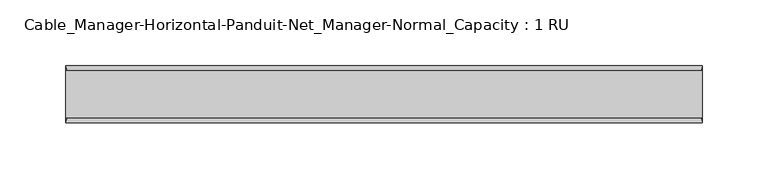
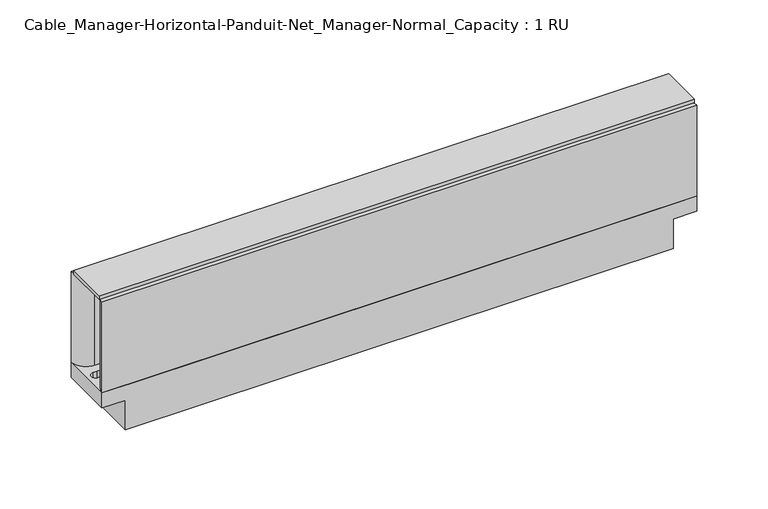
"""IFC4 building model written with IfcOpenShell, lengths in millimetres: electric appliance geometry, Cable_Manager-Horizontal-Panduit-Net_Manager-Normal_Capacity : 1 RU."""

from ifc_helpers import new_model, si_unit, point, frame, frame_2d, origin, place, context, project, spatial, polyline, circle_curve, trimmed, segment, composite_curve, outline, extrude, source, transform, mapped, element, save
from ifc_brep_helpers import plane_surface, revolved_surface, advanced_brep


def cable_manager_horizontal_panduit_net_manager_normal_capacity_3f9b7ed2(model_context):
    return source(origin(), model_context, "Body", "SolidModel", [
        extrude(outline(polyline([(241.3, 18.034), (241.3, -17.526), (-241.3, -17.526), (-241.3, 18.034), (241.3, 18.034)])), frame((0.0, 0.0, 90.805), z_axis=(0.0, 0.0, 1.0), x_axis=(1.0, 0.0, 0.0)), (0.0, 0.0, 1.0), 3.175),
        advanced_brep(
        [(-241.3298424, -21.336, 0.0), (-222.2621883, -21.336, 0.0), (-222.2621883, -21.336, -25.4006621), (222.25, -21.336, -25.4006621), (222.25, -21.336, 0.0), (241.3, -21.336, 0.0), (241.3, -21.336, 12.7), (222.25, -21.336, 12.7), (218.5003162, -21.336, 12.7), (-218.5125045, -21.336, 12.7), (-222.2621883, -21.336, 12.7), (-241.3298424, -21.336, 12.7), (-241.3298424, 21.844, 0.0), (-241.3298424, 21.844, 12.7), (-222.2621883, 21.844, 12.7), (-218.5125045, 21.844, 12.7), (218.5003162, 21.844, 12.7), (222.25, 21.844, 12.7), (241.3, 21.844, 12.7), (241.3, 21.844, 0.0), (222.25, 21.844, 0.0), (222.25, 21.844, -25.4006621), (-222.2621883, 21.844, -25.4006621), (-222.2621883, 21.844, 0.0), (-234.0241586, 3.556, 12.7), (-230.9761586, 3.556, 12.7), (-230.9761586, -3.556, 12.7), (-234.0241586, -3.556, 12.7), (231.0753773, -3.556, 12.7), (231.0753773, 3.556, 12.7), (234.1233773, 3.556, 12.7), (234.1233773, -3.556, 12.7), (-147.9671883, 7.366, 12.7), (-71.7671883, 7.366, 12.7), (-71.7671883, -6.604, 12.7), (-147.9671883, -6.604, 12.7), (147.9428117, -6.604, 12.7), (71.7428117, -6.604, 12.7), (71.7428117, 7.366, 12.7), (147.9428117, 7.366, 12.7), (218.5003162, 11.49878, 12.7), (-218.5125045, 11.49878, 12.7), (-218.5125045, 12.954, 12.7), (-218.5125045, 13.3460248, 12.7), (218.5003162, 13.3460248, 12.7), (218.5003162, 12.954, 12.7), (-218.5125045, -10.9860567, 12.7), (218.5003162, -10.9860567, 12.7), (218.5003162, -12.446, 12.7), (218.5003162, -12.8267044, 12.7), (-218.5125045, -12.8267044, 12.7), (-218.5125045, -12.446, 12.7), (231.0753773, 3.556, 0.0), (231.0753773, -3.556, 0.0), (234.1233773, -3.556, 0.0), (234.1233773, 3.556, 0.0), (-71.7671883, 7.366, -25.4006621), (-147.9671883, 7.366, -25.4006621), (-147.9671883, -6.604, -25.4006621), (-71.7671883, -6.604, -25.4006621), (71.7428117, -6.604, -25.4006621), (147.9428117, -6.604, -25.4006621), (147.9428117, 7.366, -25.4006621), (71.7428117, 7.366, -25.4006621), (-230.9761586, 3.556, 0.0), (-234.0241586, 3.556, 0.0), (-234.0241586, -3.556, 0.0), (-230.9761586, -3.556, 0.0), (218.5003162, 13.3460248, 18.7992984), (218.5003162, 11.49878, 18.7992984), (218.5003162, -10.9860567, 18.7992984), (218.5003162, -12.8267044, 18.7992984), (-218.5125045, -12.8267044, 18.7992984), (-218.5125045, -10.9860567, 18.7992984), (-218.5125045, 11.49878, 18.7992984), (-218.5125045, 13.3460248, 18.7992984)],
        [
            (0, 1),
            (1, 2),
            (2, 3),
            (3, 4),
            (4, 5),
            (5, 6),
            (6, 7),
            (7, 8),
            (8, 9),
            (9, 10),
            (10, 11),
            (11, 0),
            (12, 13),
            (13, 14),
            (14, 15),
            (15, 16),
            (16, 17),
            (17, 18),
            (18, 19),
            (19, 20),
            (20, 21),
            (21, 22),
            (22, 23),
            (23, 12),
            (11, 13),
            (12, 0),
            (6, 18),
            (24, 25),
            (25, 26, circle_curve(frame((-230.9761586, 0.0, 12.7), z_axis=(0.0, 0.0, -1.0), x_axis=(0.0, 1.0, 0.0)), 3.556)),
            (26, 27),
            (27, 24, circle_curve(frame((-234.0241586, 0.0, 12.7), z_axis=(0.0, 0.0, -1.0), x_axis=(0.0, 1.0, 0.0)), 3.556)),
            (28, 29, circle_curve(frame((231.0753773, 0.0, 12.7), z_axis=(0.0, 0.0, -1.0), x_axis=(0.0, 1.0, 0.0)), 3.556)),
            (29, 30),
            (30, 31, circle_curve(frame((234.1233773, 0.0, 12.7), z_axis=(0.0, 0.0, -1.0), x_axis=(0.0, 1.0, 0.0)), 3.556)),
            (31, 28),
            (32, 33),
            (33, 34),
            (34, 35),
            (35, 32),
            (36, 37),
            (37, 38),
            (38, 39),
            (39, 36),
            (40, 41),
            (41, 42),
            (42, 43),
            (43, 44),
            (44, 45),
            (45, 40),
            (46, 47),
            (47, 48),
            (48, 49),
            (49, 50),
            (50, 51),
            (51, 46),
            (5, 19),
            (4, 20),
            (52, 53, circle_curve(frame((231.0753773, 0.0, 0.0), z_axis=(0.0, 0.0, 1.0), x_axis=(0.0, 1.0, 0.0)), 3.556)),
            (53, 54),
            (54, 55, circle_curve(frame((234.1233773, 0.0, 0.0), z_axis=(0.0, 0.0, 1.0), x_axis=(0.0, 1.0, 0.0)), 3.556)),
            (55, 52),
            (2, 22),
            (21, 3),
            (56, 57),
            (57, 58),
            (58, 59),
            (59, 56),
            (60, 61),
            (61, 62),
            (62, 63),
            (63, 60),
            (1, 23),
            (64, 65),
            (65, 66, circle_curve(frame((-234.0241586, 0.0, 0.0), z_axis=(0.0, 0.0, 1.0), x_axis=(0.0, 1.0, 0.0)), 3.556)),
            (66, 67),
            (67, 64, circle_curve(frame((-230.9761586, 0.0, 0.0), z_axis=(0.0, 0.0, 1.0), x_axis=(0.0, 1.0, 0.0)), 3.556)),
            (64, 25),
            (24, 65),
            (27, 66),
            (26, 67),
            (52, 29),
            (28, 53),
            (31, 54),
            (30, 55),
            (56, 33),
            (32, 57),
            (35, 58),
            (34, 59),
            (60, 37),
            (36, 61),
            (63, 38),
            (62, 39),
            (68, 69),
            (69, 40),
            (44, 68),
            (70, 71),
            (71, 49),
            (47, 70),
            (72, 73),
            (73, 46),
            (50, 72),
            (74, 75),
            (75, 43),
            (41, 74),
            (69, 74),
            (73, 70),
            (71, 72),
            (75, 68),
        ],
        [
            plane_surface(frame((-241.3298424, -21.336, 12.7), z_axis=(0.0, -1.0, 0.0), x_axis=(0.0, 0.0, -1.0))),
            plane_surface(frame((-241.3298424, 21.844, 12.7), z_axis=(0.0, 1.0, 0.0), x_axis=(0.0, 0.0, 1.0))),
            plane_surface(frame((-241.3298424, 21.844, 0.0), z_axis=(-1.0, 0.0, 0.0), x_axis=(0.0, -1.0, 0.0))),
            plane_surface(frame((-241.3298424, 21.844, 12.7), z_axis=(0.0, 0.0, 1.0), x_axis=(0.0, -1.0, 0.0))),
            plane_surface(frame((241.3, 21.844, 12.7), z_axis=(1.0, 0.0, 0.0), x_axis=(0.0, -1.0, 0.0))),
            plane_surface(frame((241.3, 21.844, 0.0), z_axis=(0.0, 0.0, -1.0), x_axis=(0.0, -1.0, 0.0))),
            plane_surface(frame((222.25, 21.844, -25.4006621), z_axis=(0.0, 0.0, -1.0), x_axis=(0.0, -1.0, 0.0))),
            plane_surface(frame((-222.2621883, 21.844, -25.4006621), z_axis=(-1.0, 0.0, 0.0), x_axis=(0.0, -1.0, 0.0))),
            plane_surface(frame((-222.2621883, 21.844, 0.0), z_axis=(0.0, 0.0, -1.0), x_axis=(0.0, -1.0, 0.0))),
            plane_surface(frame((222.25, 21.844, 0.0), z_axis=(1.0, 0.0, 0.0), x_axis=(0.0, -1.0, 0.0))),
            plane_surface(frame((-230.9761586, 3.556, 18.3580851), z_axis=(-8.272028895195306e-12, -1.0, 0.0), x_axis=(0.0, 0.0, -1.0))),
            revolved_surface(polyline([(-234.0241586, 3.556, 12.7), (-234.0241586, 3.556, 0.0)]), (-234.0241586, 0.0, 0.0), (0.0, 0.0, 1.0)),
            plane_surface(frame((-234.0241586, -3.556, 18.3580851), z_axis=(-8.272028895195397e-12, 1.0, 0.0), x_axis=(0.0, 0.0, -1.0))),
            revolved_surface(polyline([(-230.9761586, 3.556, 12.7), (-230.9761586, 3.556, 0.0)]), (-230.9761586, 0.0, 0.0), (0.0, 0.0, 1.0)),
            revolved_surface(polyline([(231.0753773, 3.556, 12.7), (231.0753773, 3.556, 0.0)]), (231.0753773, 0.0, 0.0), (0.0, 0.0, 1.0)),
            plane_surface(frame((231.0753773, -3.556, 18.3580851), z_axis=(8.272028895195122e-12, 1.0, 0.0), x_axis=(0.0, 0.0, -1.0))),
            revolved_surface(polyline([(234.1233773, 3.556, 12.7), (234.1233773, 3.556, 0.0)]), (234.1233773, 0.0, 0.0), (0.0, 0.0, 1.0)),
            plane_surface(frame((234.1233773, 3.556, 18.3580851), z_axis=(8.272028895195122e-12, -1.0, 0.0), x_axis=(0.0, 0.0, -1.0))),
            plane_surface(frame((-71.7671883, 7.366, 27.1220417), z_axis=(0.0, -1.0, 0.0), x_axis=(0.0, 0.0, -1.0))),
            plane_surface(frame((-147.9671883, 7.366, 27.1220417), z_axis=(1.0, 0.0, 0.0), x_axis=(0.0, 0.0, -1.0))),
            plane_surface(frame((-147.9671883, -6.604, 27.1220417), z_axis=(0.0, 1.0, 0.0), x_axis=(0.0, 0.0, -1.0))),
            plane_surface(frame((-71.7671883, -6.604, 27.1220417), z_axis=(-1.0, 0.0, 0.0), x_axis=(0.0, 0.0, -1.0))),
            plane_surface(frame((71.7428117, -6.604, 27.1220417), z_axis=(0.0, 1.0, 0.0), x_axis=(0.0, 0.0, -1.0))),
            plane_surface(frame((71.7428117, 7.366, 27.1220417), z_axis=(1.0, 0.0, 0.0), x_axis=(0.0, 0.0, -1.0))),
            plane_surface(frame((147.9428117, 7.366, 27.1220417), z_axis=(0.0, -1.0, 0.0), x_axis=(0.0, 0.0, -1.0))),
            plane_surface(frame((147.9428117, -6.604, 27.1220417), z_axis=(-1.0, 0.0, 0.0), x_axis=(0.0, 0.0, -1.0))),
            plane_surface(frame((218.5003162, 13.3460248, 18.7992984), z_axis=(1.0, 0.0, 0.0), x_axis=(0.0, 0.0, 1.0))),
            plane_surface(frame((-218.5125045, 13.3460248, 18.7992984), z_axis=(-1.0, 0.0, 0.0), x_axis=(0.0, 0.0, -1.0))),
            plane_surface(frame((218.5003162, 11.49878, 18.7992984), z_axis=(0.0, -1.0, 0.0), x_axis=(-1.0, 0.0, 0.0))),
            plane_surface(frame((218.5003162, -10.9860567, 11.2503676), z_axis=(0.0, 1.0, 0.0), x_axis=(-1.0, 0.0, 0.0))),
            plane_surface(frame((218.5003162, -12.8267044, 18.7992984), z_axis=(0.0, -1.0, 0.0), x_axis=(-1.0, 0.0, 0.0))),
            plane_surface(frame((218.5003162, 13.3460248, 9.398), z_axis=(0.0, 1.0, 0.0), x_axis=(-1.0, 0.0, 0.0))),
            plane_surface(frame((218.5003162, 13.3460248, 18.7992984), z_axis=(0.0, 0.0, 1.0), x_axis=(-1.0, 0.0, 0.0))),
            plane_surface(frame((218.5003162, -10.9860567, 18.7992984), z_axis=(0.0, 0.0, 1.0), x_axis=(-1.0, 0.0, 0.0))),
        ],
        [
            (0, [[1, 2, 3, 4, 5, 6, 7, 8, 9, 10, 11, 12]]),
            (1, [[13, 14, 15, 16, 17, 18, 19, 20, 21, 22, 23, 24]]),
            (2, [[-12, 25, -13, 26]]),
            (3, [[-25, -11, -10, -9, -8, -7, 27, -18, -17, -16, -15, -14], [28, 29, 30, 31], [32, 33, 34, 35], [36, 37, 38, 39], [40, 41, 42, 43], [44, 45, 46, 47, 48, 49], [50, 51, 52, 53, 54, 55]]),
            (4, [[-6, 56, -19, -27]]),
            (5, [[-5, 57, -20, -56], [58, 59, 60, 61]]),
            (6, [[-3, 62, -22, 63], [64, 65, 66, 67], [68, 69, 70, 71]]),
            (7, [[-2, 72, -23, -62]]),
            (8, [[-1, -26, -24, -72], [73, 74, 75, 76]]),
            (9, [[-4, -63, -21, -57]]),
            (10, [[77, -28, 78, -73]]),
            (11, [[-78, -31, 79, -74]]),
            (12, [[-79, -30, 80, -75]]),
            (13, [[-77, -76, -80, -29]]),
            (14, [[81, -32, 82, -58]]),
            (15, [[-82, -35, 83, -59]]),
            (16, [[-83, -34, 84, -60]]),
            (17, [[-81, -61, -84, -33]]),
            (18, [[85, -36, 86, -64]]),
            (19, [[-86, -39, 87, -65]]),
            (20, [[-87, -38, 88, -66]]),
            (21, [[-85, -67, -88, -37]]),
            (22, [[89, -40, 90, -68]]),
            (23, [[-89, -71, 91, -41]]),
            (24, [[-91, -70, 92, -42]]),
            (25, [[-92, -69, -90, -43]]),
            (26, [[93, 94, -49, -48, 95]]),
            (26, [[96, 97, -52, -51, 98]]),
            (27, [[99, 100, -55, -54, 101]]),
            (27, [[102, 103, -46, -45, 104]]),
            (28, [[105, -104, -44, -94]]),
            (29, [[106, -98, -50, -100]]),
            (30, [[107, -101, -53, -97]]),
            (31, [[108, -95, -47, -103]]),
            (32, [[-93, -108, -102, -105]]),
            (33, [[-96, -106, -99, -107]]),
        ],
    ),
        extrude(outline(composite_curve([segment(trimmed(circle_curve(frame_2d((228.6596848, 23.0738095)), 12.7), [point((241.3, 21.844))], [point((228.6596848, 10.3738095))], False, "CARTESIAN"), True, "CONTINUOUS"), segment(polyline([(228.6596848, 10.3738095), (-228.6596848, 10.3738095)]), True, "CONTINUOUS"), segment(trimmed(circle_curve(frame_2d((-228.6596848, 23.0738095)), 12.7), [point((-228.6596848, 10.3738095))], [point((-241.3, 21.844))], False, "CARTESIAN"), True, "CONTINUOUS"), segment(polyline([(-241.3, 21.844), (241.3, 21.844)]), True, "CONTINUOUS")], self_intersect=False)), frame((0.0, 0.0, 12.7), z_axis=(0.0, 0.0, 1.0), x_axis=(1.0, 0.0, 0.0)), (0.0, 0.0, 1.0), 78.105),
        extrude(outline(composite_curve([segment(polyline([(241.3047284, -21.336), (-241.3047284, -21.336)]), True, "CONTINUOUS"), segment(trimmed(circle_curve(frame_2d((-228.6596848, -22.5162001)), 12.7), [point((-241.3047284, -21.336))], [point((-228.6596848, -9.8162001))], False, "CARTESIAN"), True, "CONTINUOUS"), segment(polyline([(-228.6596848, -9.8162001), (228.6596848, -9.8162001)]), True, "CONTINUOUS"), segment(trimmed(circle_curve(frame_2d((228.6596848, -22.5162001)), 12.7), [point((228.6596848, -9.8162001))], [point((241.3047284, -21.336))], False, "CARTESIAN"), True, "CONTINUOUS")], self_intersect=False)), frame((0.0, 0.0, 12.7), z_axis=(0.0, 0.0, 1.0), x_axis=(1.0, 0.0, 0.0)), (0.0, 0.0, 1.0), 78.105),
    ])


if __name__ == "__main__":
    model = new_model("IFC4")
    model_context = context("Model", 3, world=origin())
    ifc_project = project(units=[si_unit("LENGTHUNIT", "METRE", prefix="MILLI")], contexts=[model_context])
    site = spatial("IfcSite", under=ifc_project)
    building = spatial("IfcBuilding", under=site)
    placement = place(None, origin())
    cable_manager_horizontal_panduit_net_manager_normal_capacity_shape = cable_manager_horizontal_panduit_net_manager_normal_capacity_3f9b7ed2(model_context)
    element("IfcElectricAppliance", 1, ObjectType="Cable_Manager-Horizontal-Panduit-Net_Manager-Normal_Capacity : 1 RU", at=placement, inside=building, context=model_context, shape_type="MappedRepresentation", body=[
        mapped(cable_manager_horizontal_panduit_net_manager_normal_capacity_shape, transform((0.0, 0.0, 0.0), x_axis=(1.0, 0.0, 0.0), y_axis=(0.0, 1.0, 0.0), z_axis=(0.0, 0.0, 1.0))),
    ])
    save(model, "model.ifc")
